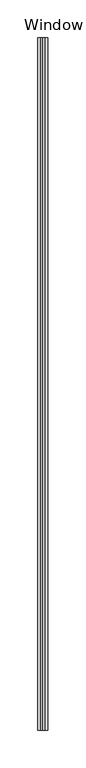
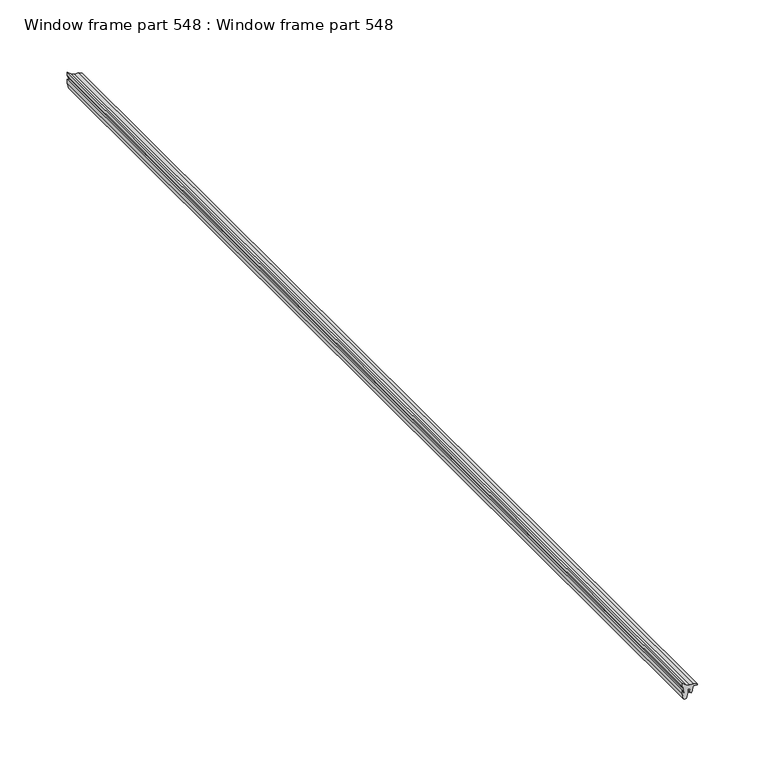
"""IFC4 building model written with IfcOpenShell, lengths in millimetres: proxy geometry, Window frame part 548 : Window frame part 548."""

from ifc_helpers import new_model, si_unit, frame, origin, place, context, project, spatial, polyline, outline, extrude, source, transform, mapped, element, save


def window_frame_part_548_window_frame_part_548_60bbc6f1(model_context):
    return source(origin(), model_context, "Body", "SweptSolid", [
        extrude(outline(polyline([(1388.2372423, 37624.9234387), (1389.2647482, 37622.0597555), (1389.5102736, 37618.4053666), (1390.1487827, 37616.0224181), (1393.3339926, 37612.0439481), (1390.0513746, 37612.0840735), (1387.4006067, 37613.4774149), (1382.8117566, 37613.8427779), (1386.9567188, 37612.0840735), (1383.5468801, 37612.0840735), (1378.7560271, 37613.161858), (1377.8573418, 37614.4649889), (1378.2656758, 37615.4507943), (1381.1146115, 37616.4603048), (1383.5468801, 37616.8154242), (1385.9777315, 37616.8154242), (1385.9777315, 37618.6784319), (1384.615852, 37619.235728), (1384.4920448, 37618.2449794), (1383.5634907, 37619.1118844), (1383.0063582, 37618.306901), (1381.6692674, 37619.8760686), (1383.5634907, 37620.6599293), (1384.6777557, 37620.8456948), (1387.4015145, 37621.7126001), (1387.5253217, 37623.260645), (1387.4496, 37625.1797387), (1388.2372423, 37624.9234387)])), frame((0.0, -19576.8264269, 0.0), z_axis=(0.0, 1.0, 0.0), x_axis=(0.0, 0.0, 1.0)), (0.0, 0.0, 1.0), 914.4),
    ])


if __name__ == "__main__":
    model = new_model("IFC4")
    model_context = context("Model", 3, world=origin())
    ifc_project = project(units=[si_unit("LENGTHUNIT", "METRE", prefix="MILLI")], contexts=[model_context])
    site = spatial("IfcSite", under=ifc_project)
    building = spatial("IfcBuilding", under=site)
    placement = place(None, origin())
    window_frame_part_548_window_frame_part_548_shape = window_frame_part_548_window_frame_part_548_60bbc6f1(model_context)
    element("IfcBuildingElementProxy", 1, Name="Window frame part 548 : Window frame part 548", ObjectType="Window frame part 548 : Window frame part 548", at=placement, inside=building, context=model_context, shape_type="MappedRepresentation", body=[
        mapped(window_frame_part_548_window_frame_part_548_shape, transform((0.0, 0.0, 0.0), x_axis=(1.0, 0.0, 0.0), y_axis=(0.0, 1.0, 0.0), z_axis=(0.0, 0.0, 1.0))),
    ])
    save(model, "model.ifc")
